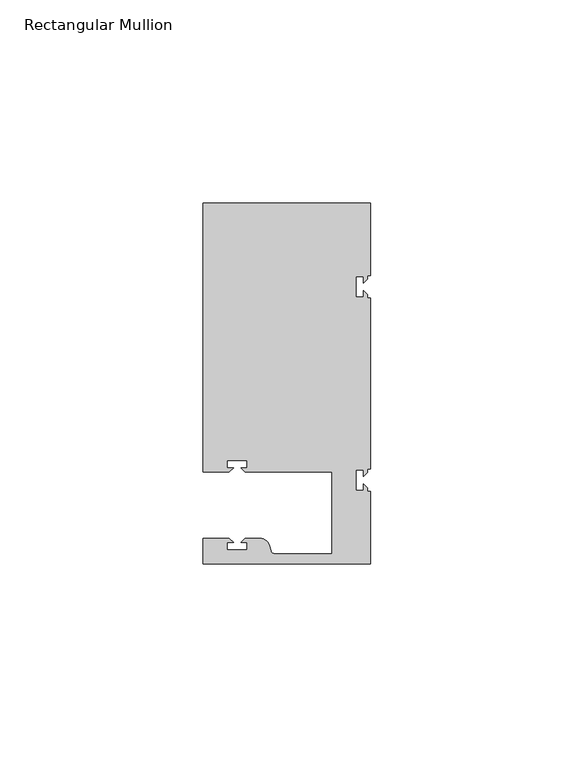
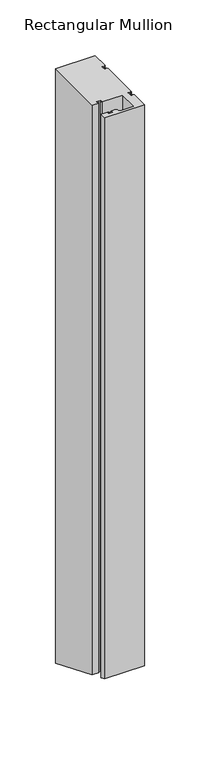
"""IFC4 building model written with IfcOpenShell, lengths in millimetres: member geometry, Rectangular Mullion."""

from ifc_helpers import new_model, si_unit, frame, origin, place, context, project, spatial, polyline, circle_curve, ellipse_curve, source, transform, mapped, element, save
from ifc_brep_helpers import plane_surface, cylinder_surface, revolved_surface, advanced_brep


def rectangular_mullion_da642ab4(model_context):
    return source(origin(), model_context, "Body", "AdvancedBrep", [
        advanced_brep(
        [(0.0, -44.45, 0.0), (0.0, -26.5319902, 0.0), (-0.79375, -26.5319902, 0.0), (-0.79375, -25.7382402, 0.0), (-1.7937657, -24.7382245, 0.0), (-1.7937657, -26.3124974, 0.0), (-3.5938131, -26.3124974, 0.0), (-3.5938131, -21.3125026, 0.0), (-1.7937657, -21.3125026, 0.0), (-1.7937657, -22.88674, 0.0), (-0.79375, -21.8867243, 0.0), (-0.79375, -21.0930098, 0.0), (0.0, -21.0930098, 0.0), (0.0, 21.0930098, 0.0), (-0.79375, 21.0930098, 0.0), (-0.79375, 21.8867598, 0.0), (-1.7937657, 22.8867755, 0.0), (-1.7937657, 21.3125026, 0.0), (-3.5938131, 21.3125026, 0.0), (-3.5938131, 26.3124974, 0.0), (-1.7937657, 26.3124974, 0.0), (-1.7937657, 24.73826, 0.0), (-0.79375, 25.7382757, 0.0), (-0.79375, 26.5319902, 0.0), (0.0, 26.5319902, 0.0), (0.0, 44.45, 0.0), (-41.275, 44.45, 0.0), (-41.275, -21.749999, 0.0), (-34.8007562, -21.749999, 0.0), (-33.8007405, -20.7499834, 0.0), (-35.3750134, -20.7499834, 0.0), (-35.3750134, -18.949936, 0.0), (-30.3750186, -18.949936, 0.0), (-30.3750186, -20.7499834, 0.0), (-31.949256, -20.7499834, 0.0), (-30.9492434, -21.7499959, 0.0), (-9.525, -21.7499959, 0.0), (-9.525, -41.95, 0.0), (-23.5599329, -41.95, 0.0), (-24.5258588, -41.2088192, 0.0), (-24.8489707, -40.002949, 0.0), (-27.2637853, -38.1499966, 0.0), (-30.9492503, -38.1499966, 0.0), (-31.949256, -39.1500023, 0.0), (-30.3749831, -39.1500023, 0.0), (-30.3749831, -40.9498819, 0.0), (-35.3749778, -40.9498819, 0.0), (-35.3749778, -39.1500023, 0.0), (-33.8007405, -39.1500023, 0.0), (-34.8007531, -38.1499897, 0.0), (-41.2749977, -38.1499897, 0.0), (-41.2749977, -44.45, 0.0), (0.0, -44.45, -616.5882072), (0.0, -26.5319902, -624.0100898), (-0.79375, -26.5319902, -624.0100898), (-0.79375, -25.7382402, -624.3388718), (-1.7937657, -24.7382245, -624.7530919), (-1.7937657, -26.3124974, -624.1010067), (-3.5938131, -26.3124974, -624.1010067), (-3.5938131, -21.3125026, -626.1720724), (-1.7937657, -21.3125026, -626.1720724), (-1.7937657, -22.88674, -625.5200019), (-0.79375, -21.8867243, -625.934222), (-0.79375, -21.0930098, -626.2629893), (0.0, -21.0930098, -626.2629893), (0.0, 21.0930098, -643.7370107), (-0.79375, 21.0930098, -643.7370107), (-0.79375, 21.8867598, -644.0657928), (-1.7937657, 22.8867755, -644.4800128), (-1.7937657, 21.3125026, -643.8279276), (-3.5938131, 21.3125026, -643.8279276), (-3.5938131, 26.3124974, -645.8989933), (-1.7937657, 26.3124974, -645.8989933), (-1.7937657, 24.73826, -645.2469228), (-0.79375, 25.7382757, -645.6611429), (-0.79375, 26.5319902, -645.9899102), (0.0, 26.5319902, -645.9899102), (0.0, 44.45, -653.4117928), (-41.275, 44.45, -653.4117928), (-41.275, -21.749999, -625.9908554), (-34.8007562, -21.749999, -625.9908554), (-33.8007405, -20.7499834, -626.4050755), (-35.3750134, -20.7499834, -626.4050755), (-35.3750134, -18.949936, -627.1506795), (-30.3750186, -18.949936, -627.1506795), (-30.3750186, -20.7499834, -626.4050755), (-31.949256, -20.7499834, -626.4050755), (-30.9492434, -21.7499959, -625.9908567), (-9.525, -21.7499959, -625.9908567), (-9.525, -41.95, -617.6237411), (-23.5599329, -41.95, -617.623741), (-24.5258588, -41.2088192, -617.9307482), (-24.8489707, -40.002949, -618.430236), (-27.2637853, -38.1499966, -619.197754), (-30.9492503, -38.1499966, -619.197754), (-31.949256, -39.1500023, -618.7835381), (-30.3749831, -39.1500023, -618.7835381), (-30.3749831, -40.9498819, -618.0380035), (-35.3749778, -40.9498819, -618.0380035), (-35.3749778, -39.1500023, -618.7835381), (-33.8007405, -39.1500023, -618.7835381), (-34.8007531, -38.1499897, -619.1977569), (-41.2749977, -38.1499897, -619.1977569), (-41.2749977, -44.45, -616.5882072)],
        [
            (0, 1),
            (1, 2),
            (2, 3),
            (3, 4),
            (4, 5),
            (5, 6),
            (6, 7),
            (7, 8),
            (8, 9),
            (9, 10),
            (10, 11),
            (11, 12),
            (12, 13),
            (13, 14),
            (14, 15),
            (15, 16),
            (16, 17),
            (17, 18),
            (18, 19),
            (19, 20),
            (20, 21),
            (21, 22),
            (22, 23),
            (23, 24),
            (24, 25),
            (25, 26),
            (26, 27),
            (27, 28),
            (28, 29),
            (29, 30),
            (30, 31),
            (31, 32),
            (32, 33),
            (33, 34),
            (34, 35),
            (35, 36),
            (36, 37),
            (37, 38),
            (38, 39, circle_curve(frame((-23.5599329, -40.9500001, 0.0), z_axis=(0.0, 0.0, -1.0), x_axis=(0.0, 1.0, 0.0)), 1.0)),
            (39, 40),
            (40, 41, circle_curve(frame((-27.2637853, -40.6499966, 0.0), z_axis=(0.0, 0.0, 1.0), x_axis=(0.0, 1.0, 0.0)), 2.5)),
            (41, 42),
            (42, 43),
            (43, 44),
            (44, 45),
            (45, 46),
            (46, 47),
            (47, 48),
            (48, 49),
            (49, 50),
            (50, 51),
            (51, 0),
            (0, 52),
            (52, 53),
            (53, 1),
            (53, 54),
            (54, 2),
            (54, 55),
            (55, 3),
            (55, 56),
            (56, 4),
            (56, 57),
            (57, 5),
            (57, 58),
            (58, 6),
            (58, 59),
            (59, 7),
            (59, 60),
            (60, 8),
            (60, 61),
            (61, 9),
            (61, 62),
            (62, 10),
            (62, 63),
            (63, 11),
            (63, 64),
            (64, 12),
            (64, 65),
            (65, 13),
            (65, 66),
            (66, 14),
            (66, 67),
            (67, 15),
            (67, 68),
            (68, 16),
            (68, 69),
            (69, 17),
            (69, 70),
            (70, 18),
            (70, 71),
            (71, 19),
            (71, 72),
            (72, 20),
            (72, 73),
            (73, 21),
            (73, 74),
            (74, 22),
            (74, 75),
            (75, 23),
            (75, 76),
            (76, 24),
            (76, 77),
            (77, 25),
            (77, 78),
            (78, 26),
            (78, 79),
            (79, 27),
            (79, 80),
            (80, 28),
            (80, 81),
            (81, 29),
            (81, 82),
            (82, 30),
            (82, 83),
            (83, 31),
            (83, 84),
            (84, 32),
            (84, 85),
            (85, 33),
            (85, 86),
            (86, 34),
            (86, 87),
            (87, 35),
            (87, 88),
            (88, 36),
            (88, 89),
            (89, 37),
            (89, 90),
            (90, 38),
            (90, 91, ellipse_curve(frame((-23.5599329, -40.9500001, -618.0379546), z_axis=(0.0, -0.38268343236509095, -0.9238795325112864), x_axis=(0.0, 0.9238795325112865, -0.38268343236509045)), 1.0823922, 1.0)),
            (91, 39),
            (91, 92),
            (92, 40),
            (92, 93, ellipse_curve(frame((-27.2637853, -40.6499966, -618.1622201), z_axis=(0.0, 0.38268343236509095, 0.9238795325112864), x_axis=(0.0, -0.9238795325112865, 0.38268343236509045)), 2.7059805, 2.5)),
            (93, 41),
            (93, 94),
            (94, 42),
            (94, 95),
            (95, 43),
            (95, 96),
            (96, 44),
            (96, 97),
            (97, 45),
            (97, 98),
            (98, 46),
            (98, 99),
            (99, 47),
            (99, 100),
            (100, 48),
            (100, 101),
            (101, 49),
            (101, 102),
            (102, 50),
            (102, 103),
            (103, 51),
            (103, 52),
        ],
        [
            plane_surface(frame((0.0, -60.6582898, 0.0), z_axis=(0.0, 0.0, 1.0), x_axis=(-1.0, 0.0, 0.0))),
            plane_surface(frame((0.0, -44.45, 0.0), z_axis=(1.0, 0.0, 0.0), x_axis=(0.0, 0.0, -1.0))),
            plane_surface(frame((0.0, -26.5319902, 0.0), z_axis=(0.0, 1.0, 0.0), x_axis=(0.0, 0.0, -1.0))),
            plane_surface(frame((-0.79375, -26.5319902, 0.0), z_axis=(1.0, 0.0, 0.0), x_axis=(0.0, 0.0, -1.0))),
            plane_surface(frame((-0.79375, -25.7382402, 0.0), z_axis=(0.7071067811865522, 0.7071067811865429, 0.0), x_axis=(0.0, 0.0, -1.0))),
            plane_surface(frame((-1.7937657, -24.7382245, 0.0), z_axis=(-1.0, 0.0, 0.0), x_axis=(0.0, 0.0, -1.0))),
            plane_surface(frame((-1.7937657, -26.3124974, 0.0), z_axis=(0.0, 1.0, 0.0), x_axis=(0.0, 0.0, -1.0))),
            plane_surface(frame((-3.5938131, -26.3124974, 0.0), z_axis=(1.0, 0.0, 0.0), x_axis=(0.0, 0.0, -1.0))),
            plane_surface(frame((-3.5938131, -21.3125026, 0.0), z_axis=(0.0, -1.0, 0.0), x_axis=(0.0, 0.0, -1.0))),
            plane_surface(frame((-1.7937657, -21.3125026, 0.0), z_axis=(-1.0, 0.0, 0.0), x_axis=(0.0, 0.0, -1.0))),
            plane_surface(frame((-1.7937657, -22.88674, 0.0), z_axis=(0.7071067811865416, -0.7071067811865536, 0.0), x_axis=(0.0, 0.0, -1.0))),
            plane_surface(frame((-0.79375, -21.8867243, 0.0), z_axis=(1.0, 0.0, 0.0), x_axis=(0.0, 0.0, -1.0))),
            plane_surface(frame((-0.79375, -21.0930098, 0.0), z_axis=(0.0, -1.0, 0.0), x_axis=(0.0, 0.0, -1.0))),
            plane_surface(frame((0.0, -21.0930098, 0.0), z_axis=(1.0, 0.0, 0.0), x_axis=(0.0, 0.0, -1.0))),
            plane_surface(frame((0.0, 21.0930098, 0.0), z_axis=(0.0, 1.0, 0.0), x_axis=(0.0, 0.0, -1.0))),
            plane_surface(frame((-0.79375, 21.0930098, 0.0), z_axis=(1.0, 0.0, 0.0), x_axis=(0.0, 0.0, -1.0))),
            plane_surface(frame((-0.79375, 21.8867598, 0.0), z_axis=(0.7071067811865522, 0.7071067811865429, 0.0), x_axis=(0.0, 0.0, -1.0))),
            plane_surface(frame((-1.7937657, 22.8867755, 0.0), z_axis=(-1.0, 0.0, 0.0), x_axis=(0.0, 0.0, -1.0))),
            plane_surface(frame((-1.7937657, 21.3125026, 0.0), z_axis=(0.0, 1.0, 0.0), x_axis=(0.0, 0.0, -1.0))),
            plane_surface(frame((-3.5938131, 21.3125026, 0.0), z_axis=(1.0, 0.0, 0.0), x_axis=(0.0, 0.0, -1.0))),
            plane_surface(frame((-3.5938131, 26.3124974, 0.0), z_axis=(0.0, -1.0, 0.0), x_axis=(0.0, 0.0, -1.0))),
            plane_surface(frame((-1.7937657, 26.3124974, 0.0), z_axis=(-1.0, 0.0, 0.0), x_axis=(0.0, 0.0, -1.0))),
            plane_surface(frame((-1.7937657, 24.73826, 0.0), z_axis=(0.7071067811865416, -0.7071067811865536, 0.0), x_axis=(0.0, 0.0, -1.0))),
            plane_surface(frame((-0.79375, 25.7382757, 0.0), z_axis=(1.0, 0.0, 0.0), x_axis=(0.0, 0.0, -1.0))),
            plane_surface(frame((-0.79375, 26.5319902, 0.0), z_axis=(0.0, -1.0, 0.0), x_axis=(0.0, 0.0, -1.0))),
            plane_surface(frame((0.0, 26.5319902, 0.0), z_axis=(1.0, 0.0, 0.0), x_axis=(0.0, 0.0, -1.0))),
            plane_surface(frame((0.0, 44.45, 0.0), z_axis=(0.0, 1.0, 0.0), x_axis=(0.0, 0.0, -1.0))),
            plane_surface(frame((-41.275, 44.45, 0.0), z_axis=(-1.0, 0.0, 0.0), x_axis=(0.0, 0.0, -1.0))),
            plane_surface(frame((-41.275, -21.749999, 0.0), z_axis=(0.0, -1.0, 0.0), x_axis=(0.0, 0.0, -1.0))),
            plane_surface(frame((-34.8007562, -21.749999, 0.0), z_axis=(0.7071067811865472, -0.7071067811865479, 0.0), x_axis=(0.0, 0.0, -1.0))),
            plane_surface(frame((-33.8007405, -20.7499834, 0.0), z_axis=(0.0, 1.0, 0.0), x_axis=(0.0, 0.0, -1.0))),
            plane_surface(frame((-35.3750134, -20.7499834, 0.0), z_axis=(1.0, 0.0, 0.0), x_axis=(0.0, 0.0, -1.0))),
            plane_surface(frame((-35.3750134, -18.949936, 0.0), z_axis=(0.0, -1.0, 0.0), x_axis=(0.0, 0.0, -1.0))),
            plane_surface(frame((-30.3750186, -18.949936, 0.0), z_axis=(-1.0, 0.0, 0.0), x_axis=(0.0, 0.0, -1.0))),
            plane_surface(frame((-30.3750186, -20.7499834, 0.0), z_axis=(0.0, 1.0, 0.0), x_axis=(0.0, 0.0, -1.0))),
            plane_surface(frame((-31.949256, -20.7499834, 0.0), z_axis=(-0.7071067811865492, -0.7071067811865459, 0.0), x_axis=(0.0, 0.0, -1.0))),
            plane_surface(frame((-30.9492434, -21.7499959, 0.0), z_axis=(0.0, -1.0, 0.0), x_axis=(0.0, 0.0, -1.0))),
            plane_surface(frame((-9.525, -21.7499959, 0.0), z_axis=(-1.0, 0.0, 0.0), x_axis=(0.0, 0.0, -1.0))),
            plane_surface(frame((-9.525, -41.95, 0.0), z_axis=(0.0, 1.0, 0.0), x_axis=(0.0, 0.0, -1.0))),
            revolved_surface(polyline([(-23.5599329, -39.9500001, -618.4521681622613), (-23.5599329, -39.9500001, 0.0)]), (-23.5599329, -40.9500001, 0.0), (0.0, 0.0, -1.0)),
            plane_surface(frame((-24.5258588, -41.2088192, 0.0), z_axis=(0.965925826289163, 0.2588190451021675, 0.0), x_axis=(0.0, 0.0, -1.0))),
            cylinder_surface(frame((-27.2637853, -40.6499966, 0.0), z_axis=(0.0, 0.0, 1.0), x_axis=(0.0, 1.0, 0.0)), 2.5),
            plane_surface(frame((-27.2637853, -38.1499966, 0.0), z_axis=(0.0, 1.0, 0.0), x_axis=(0.0, 0.0, -1.0))),
            plane_surface(frame((-30.9492503, -38.1499966, 0.0), z_axis=(-0.7071067811865469, 0.7071067811865481, 0.0), x_axis=(0.0, 0.0, -1.0))),
            plane_surface(frame((-31.949256, -39.1500023, 0.0), z_axis=(0.0, -1.0, 0.0), x_axis=(0.0, 0.0, -1.0))),
            plane_surface(frame((-30.3749831, -39.1500023, 0.0), z_axis=(-1.0, 0.0, 0.0), x_axis=(0.0, 0.0, -1.0))),
            plane_surface(frame((-30.3749831, -40.9498819, 0.0), z_axis=(0.0, 1.0, 0.0), x_axis=(0.0, 0.0, -1.0))),
            plane_surface(frame((-35.3749778, -40.9498819, 0.0), z_axis=(1.0, 0.0, 0.0), x_axis=(0.0, 0.0, -1.0))),
            plane_surface(frame((-35.3749778, -39.1500023, 0.0), z_axis=(0.0, -1.0, 0.0), x_axis=(0.0, 0.0, -1.0))),
            plane_surface(frame((-33.8007405, -39.1500023, 0.0), z_axis=(0.7071067811865492, 0.7071067811865459, 0.0), x_axis=(0.0, 0.0, -1.0))),
            plane_surface(frame((-34.8007531, -38.1499897, 0.0), z_axis=(0.0, 1.0, 0.0), x_axis=(0.0, 0.0, -1.0))),
            plane_surface(frame((-41.2749977, -38.1499897, 0.0), z_axis=(-1.0, 0.0, 0.0), x_axis=(0.0, 0.0, -1.0))),
            plane_surface(frame((-41.2749977, -44.45, 0.0), z_axis=(0.0, -1.0, 0.0), x_axis=(0.0, 0.0, -1.0))),
            plane_surface(frame((304.8, 0.0, -635.0), z_axis=(0.0, -0.38268343236509095, -0.9238795325112864), x_axis=(0.0, -0.9238795325112864, 0.38268343236509095))),
        ],
        [
            (0, [[1, 2, 3, 4, 5, 6, 7, 8, 9, 10, 11, 12, 13, 14, 15, 16, 17, 18, 19, 20, 21, 22, 23, 24, 25, 26, 27, 28, 29, 30, 31, 32, 33, 34, 35, 36, 37, 38, 39, 40, 41, 42, 43, 44, 45, 46, 47, 48, 49, 50, 51, 52]]),
            (1, [[-1, 53, 54, 55]]),
            (2, [[-2, -55, 56, 57]]),
            (3, [[-3, -57, 58, 59]]),
            (4, [[-4, -59, 60, 61]]),
            (5, [[-5, -61, 62, 63]]),
            (6, [[-6, -63, 64, 65]]),
            (7, [[-7, -65, 66, 67]]),
            (8, [[-8, -67, 68, 69]]),
            (9, [[-9, -69, 70, 71]]),
            (10, [[-10, -71, 72, 73]]),
            (11, [[-11, -73, 74, 75]]),
            (12, [[-12, -75, 76, 77]]),
            (13, [[-13, -77, 78, 79]]),
            (14, [[-14, -79, 80, 81]]),
            (15, [[-15, -81, 82, 83]]),
            (16, [[-16, -83, 84, 85]]),
            (17, [[-17, -85, 86, 87]]),
            (18, [[-18, -87, 88, 89]]),
            (19, [[-19, -89, 90, 91]]),
            (20, [[-20, -91, 92, 93]]),
            (21, [[-21, -93, 94, 95]]),
            (22, [[-22, -95, 96, 97]]),
            (23, [[-23, -97, 98, 99]]),
            (24, [[-24, -99, 100, 101]]),
            (25, [[-25, -101, 102, 103]]),
            (26, [[-26, -103, 104, 105]]),
            (27, [[-27, -105, 106, 107]]),
            (28, [[-28, -107, 108, 109]]),
            (29, [[-29, -109, 110, 111]]),
            (30, [[-30, -111, 112, 113]]),
            (31, [[-31, -113, 114, 115]]),
            (32, [[-32, -115, 116, 117]]),
            (33, [[-33, -117, 118, 119]]),
            (34, [[-34, -119, 120, 121]]),
            (35, [[-35, -121, 122, 123]]),
            (36, [[-36, -123, 124, 125]]),
            (37, [[-37, -125, 126, 127]]),
            (38, [[-38, -127, 128, 129]]),
            (39, [[-39, -129, 130, 131]]),
            (40, [[-40, -131, 132, 133]]),
            (41, [[-41, -133, 134, 135]]),
            (42, [[-42, -135, 136, 137]]),
            (43, [[-43, -137, 138, 139]]),
            (44, [[-44, -139, 140, 141]]),
            (45, [[-45, -141, 142, 143]]),
            (46, [[-46, -143, 144, 145]]),
            (47, [[-47, -145, 146, 147]]),
            (48, [[-48, -147, 148, 149]]),
            (49, [[-49, -149, 150, 151]]),
            (50, [[-50, -151, 152, 153]]),
            (51, [[-51, -153, 154, 155]]),
            (52, [[-52, -155, 156, -53]]),
            (53, [[-156, -154, -152, -150, -148, -146, -144, -142, -140, -138, -136, -134, -132, -130, -128, -126, -124, -122, -120, -118, -116, -114, -112, -110, -108, -106, -104, -102, -100, -98, -96, -94, -92, -90, -88, -86, -84, -82, -80, -78, -76, -74, -72, -70, -68, -66, -64, -62, -60, -58, -56, -54]]),
        ],
    ),
    ])


if __name__ == "__main__":
    model = new_model("IFC4")
    model_context = context("Model", 3, world=origin())
    ifc_project = project(units=[si_unit("LENGTHUNIT", "METRE", prefix="MILLI")], contexts=[model_context])
    site = spatial("IfcSite", under=ifc_project)
    building = spatial("IfcBuilding", under=site)
    placement = place(None, origin())
    rectangular_mullion_shape = rectangular_mullion_da642ab4(model_context)
    element("IfcMember", 1, ObjectType="Rectangular Mullion", at=placement, inside=building, context=model_context, shape_type="MappedRepresentation", body=[
        mapped(rectangular_mullion_shape, transform((0.0, 0.0, 0.0), x_axis=(1.0, 0.0, 0.0), y_axis=(0.0, 1.0, 0.0), z_axis=(0.0, 0.0, 1.0))),
    ])
    save(model, "model.ifc")
